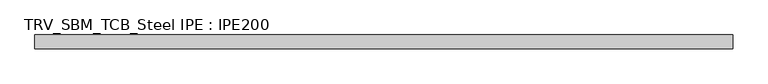
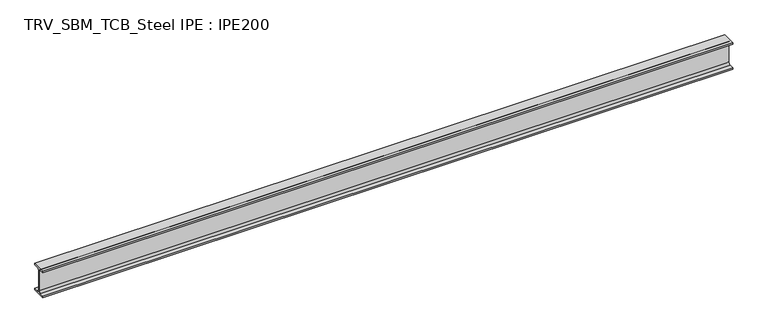
"""IFC4 building model written with IfcOpenShell, lengths in millimetres: beam geometry, TRV_SBM_TCB_Steel IPE : IPE200."""

import ifcopenshell
import ifcopenshell.guid

model = None  # the IFC model being written
_history = None  # IfcOwnerHistory: only IFC2X3 demands one
_inside = {}  # id of a spatial element -> (the spatial element, [elements in it])
_under = {}  # id of a project, library or spatial element -> (it, [spatial elements below it])
_declared = {}  # id of a project -> (the project, [libraries it declares])
_typed = {}  # id of a type object -> (the type object, [elements of that type])
_made_of = {}  # id of a material, layer set ... -> (it, [elements and type objects made of it])


def new_model(schema):
    """Start an empty IFC model of exactly this schema.

    Asked for "IFC4X3", IfcOpenShell would pick the latest addendum, in which some entities
    have other attributes; the version numbers below select the first issue.
    IFC2X3 requires an IfcOwnerHistory on every rooted entity: one is made here for all.
    """
    global model, _history
    if schema == "IFC4X3":
        model = ifcopenshell.file(schema_version=(4, 3, 0, 0))
    else:
        model = ifcopenshell.file(schema=schema)
    _inside.clear()
    _under.clear()
    _declared.clear()
    _typed.clear()
    _made_of.clear()
    _history = None
    if model.schema == "IFC2X3":
        org = make("IfcOrganization", Name="unknown")
        user = make(
            "IfcPersonAndOrganization",
            ThePerson=make("IfcPerson", FamilyName="unknown"),
            TheOrganization=org,
        )
        app = make(
            "IfcApplication",
            ApplicationDeveloper=org,
            Version="unknown",
            ApplicationFullName="unknown",
            ApplicationIdentifier="unknown",
        )
        _history = make(
            "IfcOwnerHistory",
            OwningUser=user,
            OwningApplication=app,
            ChangeAction="ADDED",
            CreationDate=0,
        )
    return model


def make(cls, **values):
    """One entity of the class cls with the attributes given. An attribute that is None is left unset."""
    return model.create_entity(
        cls, **{name: value for name, value in values.items() if value is not None}
    )


def rooted(cls, **values):
    """An entity with a GlobalId (a new one), such as an element, a storey or a relation."""
    return make(cls, GlobalId=ifcopenshell.guid.new(), OwnerHistory=_history, **values)


def si_unit(unit_type, name, prefix=None):
    """IfcSIUnit, for example si_unit("LENGTHUNIT", "METRE", prefix="MILLI")."""
    return make("IfcSIUnit", UnitType=unit_type, Prefix=prefix, Name=name)


def assignment(units):
    """IfcUnitAssignment: the units of a project."""
    return None if units is None else make("IfcUnitAssignment", Units=units)


def point(xyz):
    """IfcCartesianPoint."""
    return None if xyz is None else make("IfcCartesianPoint", Coordinates=xyz)


def direction(xyz):
    """IfcDirection."""
    return None if xyz is None else make("IfcDirection", DirectionRatios=xyz)


def frame(location, z_axis=None, x_axis=None):
    """IfcAxis2Placement3D, a coordinate frame: its origin and axes. An axis left out is left unset."""
    return make(
        "IfcAxis2Placement3D",
        Location=point(location),
        Axis=direction(z_axis),
        RefDirection=direction(x_axis),
    )


def frame_2d(location, x_axis=None):
    """IfcAxis2Placement2D, a coordinate frame in the plane: its origin and x axis."""
    return make(
        "IfcAxis2Placement2D", Location=point(location), RefDirection=direction(x_axis)
    )


def origin():
    """The frame at (0, 0, 0) with its axes left unset."""
    return frame((0.0, 0.0, 0.0))


def place(relative_to, where):
    """IfcLocalPlacement: puts the frame where relative to a parent placement (None: the world)."""
    return make(
        "IfcLocalPlacement", PlacementRelTo=relative_to, RelativePlacement=where
    )


def context(
    kind, dimensions, precision=None, world=None, true_north=None, identifier=None
):
    """IfcGeometricRepresentationContext, for example the 3D "Model" context."""
    return make(
        "IfcGeometricRepresentationContext",
        ContextIdentifier=identifier,
        ContextType=kind,
        CoordinateSpaceDimension=dimensions,
        Precision=precision,
        WorldCoordinateSystem=world,
        TrueNorth=true_north,
    )


def project(units=None, contexts=None):
    """IfcProject with its units and contexts."""
    return rooted(
        "IfcProject",
        Name="project",
        RepresentationContexts=contexts,
        UnitsInContext=assignment(units),
    )


def spatial(cls, under=None, at=None, **own):
    """A site, building, storey or space (cls), placed at a placement, below another one or the project."""
    s = rooted(cls, ObjectPlacement=at, **own)
    if under is not None:
        _under.setdefault(under.id(), (under, []))[1].append(s)
    return s


def polyline(points):
    """IfcPolyline through the points."""
    return make("IfcPolyline", Points=[point(p) for p in points])


def circle_curve(where, radius):
    """IfcCircle in the frame where."""
    return make("IfcCircle", Position=where, Radius=radius)


def trimmed(basis, trim1, trim2, sense, master):
    """IfcTrimmedCurve: the piece of a basis curve between two trims."""
    return make(
        "IfcTrimmedCurve",
        BasisCurve=basis,
        Trim1=trim1,
        Trim2=trim2,
        SenseAgreement=sense,
        MasterRepresentation=master,
    )


def segment(curve, same_sense, transition):
    """IfcCompositeCurveSegment."""
    return make(
        "IfcCompositeCurveSegment",
        Transition=transition,
        SameSense=same_sense,
        ParentCurve=curve,
    )


def composite_curve(segments, self_intersect=None):
    """IfcCompositeCurve: segments joined end to end."""
    return make("IfcCompositeCurve", Segments=segments, SelfIntersect=self_intersect)


def outline(outer, holes=None, kind="AREA"):
    """IfcArbitraryClosedProfileDef: a profile drawn as a closed curve; with holes, ...WithVoids."""
    if holes is None:
        return make("IfcArbitraryClosedProfileDef", ProfileType=kind, OuterCurve=outer)
    return make(
        "IfcArbitraryProfileDefWithVoids",
        ProfileType=kind,
        OuterCurve=outer,
        InnerCurves=holes,
    )


def extrude(swept, where, along, depth):
    """IfcExtrudedAreaSolid: the profile swept, set in the frame where, extruded along a direction by depth."""
    return make(
        "IfcExtrudedAreaSolid",
        SweptArea=swept,
        Position=where,
        ExtrudedDirection=direction(along),
        Depth=depth,
    )


def shape(context_of_items, identifier, shape_type, items):
    """IfcShapeRepresentation: the items that make up one representation, for example the "Body"."""
    return make(
        "IfcShapeRepresentation",
        ContextOfItems=context_of_items,
        RepresentationIdentifier=identifier,
        RepresentationType=shape_type,
        Items=items,
    )


def source(mapping_origin, context_of_items, identifier, shape_type, items):
    """IfcRepresentationMap: a shape defined once, which mapped items show again and again."""
    return make(
        "IfcRepresentationMap",
        MappingOrigin=mapping_origin,
        MappedRepresentation=shape(context_of_items, identifier, shape_type, items),
    )


def transform(
    local_origin,
    x_axis=None,
    y_axis=None,
    z_axis=None,
    scale=None,
    scale2=None,
    scale3=None,
    uniform=True,
):
    """IfcCartesianTransformationOperator3D, or its non-uniform kind. x_axis, y_axis, z_axis: its Axis1, 2, 3."""
    if uniform:
        return make(
            "IfcCartesianTransformationOperator3D",
            Axis1=direction(x_axis),
            Axis2=direction(y_axis),
            LocalOrigin=point(local_origin),
            Scale=scale,
            Axis3=direction(z_axis),
        )
    return make(
        "IfcCartesianTransformationOperator3DnonUniform",
        Axis1=direction(x_axis),
        Axis2=direction(y_axis),
        LocalOrigin=point(local_origin),
        Scale=scale,
        Axis3=direction(z_axis),
        Scale2=scale2,
        Scale3=scale3,
    )


def mapped(mapping_source, mapping_target):
    """IfcMappedItem: shows the shape of a source again, moved by a transform."""
    return make(
        "IfcMappedItem", MappingSource=mapping_source, MappingTarget=mapping_target
    )


def made_of(thing, what):
    """Note that an element or type object is made of a material, layer set ...; save() writes the relation."""
    if what is not None:
        _made_of.setdefault(what.id(), (what, []))[1].append(thing)
    return thing


def element(
    cls,
    number,
    at=None,
    inside=None,
    cuts=None,
    type_object=None,
    material=None,
    context=None,
    identifier="Body",
    shape_type=None,
    held_by="IfcProductDefinitionShape",
    body=None,
    shapes=None,
    **own,
):
    """One element of the class cls, such as IfcWall. Its Tag is "e" and its number.

    at: its placement. inside: the storey or other place that contains it. cuts: it is an
    opening in that element (IfcRelVoidsElement). A single representation is given by context,
    identifier, shape_type and body (its items); several are given by shapes. held_by: the class
    of the entity that holds the representations. save() writes the other relations.
    """
    e = rooted(cls, Tag="e%d" % number, ObjectPlacement=at, **own)
    if body is not None:
        shapes = [shape(context, identifier, shape_type, body)]
    if shapes is not None:
        e.Representation = make(held_by, Representations=shapes)
    if inside is not None:
        _inside.setdefault(inside.id(), (inside, []))[1].append(e)
    if cuts is not None:
        rooted(
            "IfcRelVoidsElement", RelatingBuildingElement=cuts, RelatedOpeningElement=e
        )
    if type_object is not None:
        _typed.setdefault(type_object.id(), (type_object, []))[1].append(e)
    return made_of(e, material)


def aggregate(whole, parts):
    """IfcRelAggregates: a whole, such as a stair, and the parts it consists of."""
    return rooted("IfcRelAggregates", RelatingObject=whole, RelatedObjects=parts)


def save(model, path):
    """Write the relations noted so far, then the file.

    IfcRelAggregates (storeys below a building ...), IfcRelContainedInSpatialStructure (elements
    in a storey), IfcRelDefinesByType, IfcRelAssociatesMaterial and IfcRelDeclares: one each for
    every whole, place, type object, material and project.
    """
    for whole, parts in _under.values():
        aggregate(whole, parts)
    for where, things in _inside.values():
        rooted(
            "IfcRelContainedInSpatialStructure",
            RelatedElements=things,
            RelatingStructure=where,
        )
    for kind, things in _typed.values():
        rooted("IfcRelDefinesByType", RelatedObjects=things, RelatingType=kind)
    for what, things in _made_of.values():
        rooted("IfcRelAssociatesMaterial", RelatedObjects=things, RelatingMaterial=what)
    for by, libraries in _declared.values():
        rooted("IfcRelDeclares", RelatingContext=by, RelatedDefinitions=libraries)
    model.write(path)


def trv_sbm_tcb_steel_ipe_ipe200_56b1d962(model_context):
    return source(origin(), model_context, "Body", "SweptSolid", [
        extrude(outline(composite_curve([segment(polyline([(-50.0, -89.3), (-18.55, -89.3)]), True, "CONTINUOUS"), segment(trimmed(circle_curve(frame_2d((-18.55, -74.3)), 15.0), [point((-18.55, -89.3))], [point((-3.55, -74.3))], True, "CARTESIAN"), True, "CONTINUOUS"), segment(polyline([(-3.55, -74.3), (-3.55, 74.3)]), True, "CONTINUOUS"), segment(trimmed(circle_curve(frame_2d((-18.55, 74.3)), 15.0), [point((-3.55, 74.3))], [point((-18.55, 89.3))], True, "CARTESIAN"), True, "CONTINUOUS"), segment(polyline([(-18.55, 89.3), (-50.0, 89.3), (-50.0, 100.0), (50.0, 100.0), (50.0, 89.3), (18.55, 89.3)]), True, "CONTINUOUS"), segment(trimmed(circle_curve(frame_2d((18.55, 74.3)), 15.0), [point((18.55, 89.3))], [point((3.55, 74.3))], True, "CARTESIAN"), True, "CONTINUOUS"), segment(polyline([(3.55, 74.3), (3.55, -74.3)]), True, "CONTINUOUS"), segment(trimmed(circle_curve(frame_2d((18.55, -74.3)), 15.0), [point((3.55, -74.3))], [point((18.55, -89.3))], True, "CARTESIAN"), True, "CONTINUOUS"), segment(polyline([(18.55, -89.3), (50.0, -89.3), (50.0, -100.0), (-50.0, -100.0), (-50.0, -89.3)]), True, "CONTINUOUS")], self_intersect=False)), frame((-2459.0, 0.0, 0.0), z_axis=(1.0, 0.0, 0.0), x_axis=(0.0, 1.0, 0.0)), (0.0, 0.0, 1.0), 4968.0),
    ])


if __name__ == "__main__":
    model = new_model("IFC4")
    model_context = context("Model", 3, world=origin())
    ifc_project = project(units=[si_unit("LENGTHUNIT", "METRE", prefix="MILLI")], contexts=[model_context])
    site = spatial("IfcSite", under=ifc_project)
    building = spatial("IfcBuilding", under=site)
    placement = place(None, origin())
    trv_sbm_tcb_steel_ipe_ipe200_shape = trv_sbm_tcb_steel_ipe_ipe200_56b1d962(model_context)
    element("IfcBeam", 1, ObjectType="TRV_SBM_TCB_Steel IPE : IPE200", at=placement, inside=building, context=model_context, shape_type="MappedRepresentation", body=[
        mapped(trv_sbm_tcb_steel_ipe_ipe200_shape, transform((0.0, 0.0, 0.0), x_axis=(1.0, 0.0, 0.0), y_axis=(0.0, 1.0, 0.0), z_axis=(0.0, 0.0, 1.0))),
    ])
    save(model, "model.ifc")
